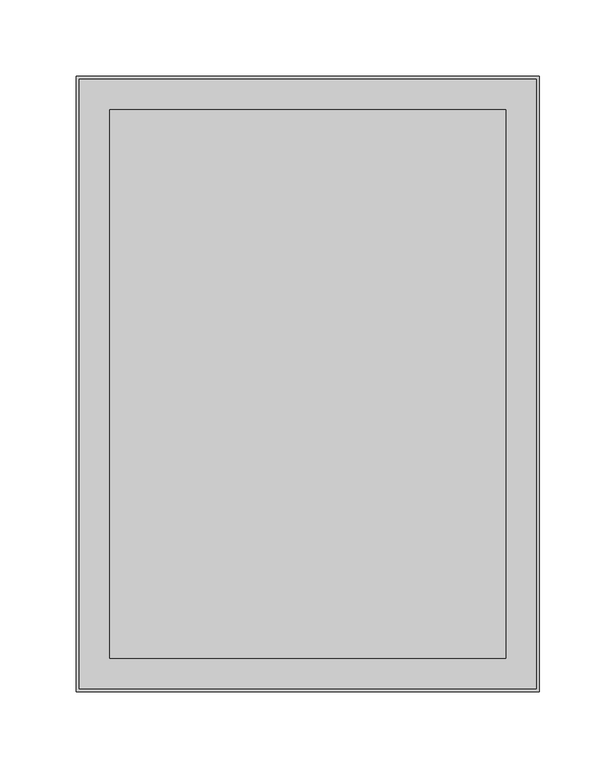
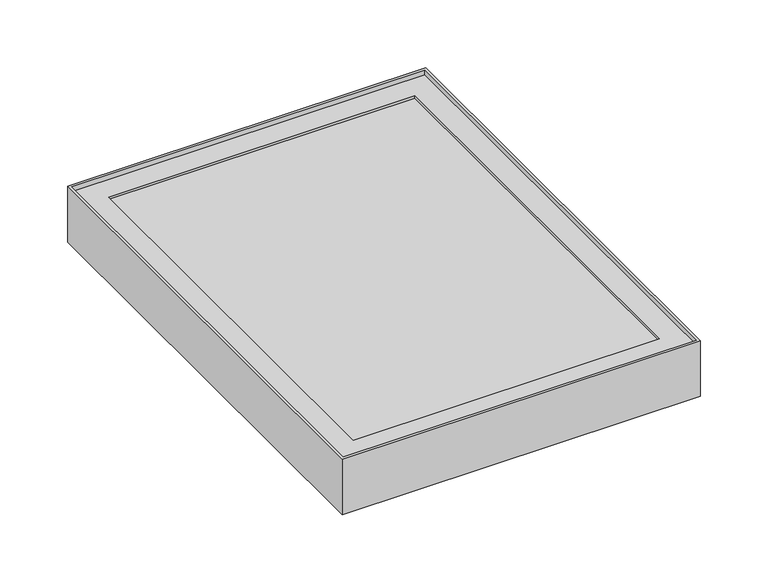
"""IFC4 building model written with IfcOpenShell, lengths in millimetres: proxy geometry."""

from ifc_helpers import new_model, si_unit, frame, origin, place, context, project, spatial, polyline, outline, extrude, faceted_brep, source, transform, mapped, element, save


def generic_models_1ffe8c8d(model_context):
    return source(origin(), model_context, "Body", "SolidModel", [
        extrude(outline(polyline([(-152.0, -202.0), (-152.0, 202.0), (152.0, 202.0), (152.0, -202.0), (-152.0, -202.0)]), holes=[polyline([(150.0, -200.0), (150.0, 200.0), (-150.0, 200.0), (-150.0, -200.0), (150.0, -200.0)])]), frame((0.0, 0.0, -51.0), z_axis=(0.0, 0.0, 1.0), x_axis=(1.0, 0.0, 0.0)), (0.0, 0.0, 1.0), 50.0),
        extrude(outline(polyline([(148.0, -198.0), (-148.0, -198.0), (-148.0, 198.0), (148.0, 198.0), (148.0, -198.0)])), frame((0.0, 0.0, -24.0), z_axis=(0.0, 0.0, 1.0), x_axis=(1.0, 0.0, 0.0)), (0.0, 0.0, 1.0), 16.0),
        faceted_brep([(150.0, -200.0, -27.0), (150.0, 200.0, -27.0), (150.0, 200.0, -5.0), (150.0, -200.0, -5.0), (130.0, -180.0, -25.0), (130.0, 180.0, -25.0), (130.0, 180.0, -27.0), (130.0, -180.0, -27.0), (148.0, -198.0, -7.0), (148.0, 198.0, -7.0), (148.0, 198.0, -25.0), (148.0, -198.0, -25.0), (130.0, -180.0, -5.0), (130.0, 180.0, -5.0), (130.0, 180.0, -7.0), (130.0, -180.0, -7.0), (-150.0, 200.0, -27.0), (-150.0, 200.0, -5.0), (-130.0, 180.0, -25.0), (-130.0, 180.0, -27.0), (-148.0, 198.0, -7.0), (-148.0, 198.0, -25.0), (-130.0, 180.0, -5.0), (-130.0, 180.0, -7.0), (-150.0, -200.0, -27.0), (-150.0, -200.0, -5.0), (-130.0, -180.0, -25.0), (-130.0, -180.0, -27.0), (-148.0, -198.0, -7.0), (-148.0, -198.0, -25.0), (-130.0, -180.0, -5.0), (-130.0, -180.0, -7.0)], [[[0, 1, 2, 3]], [[4, 5, 6, 7]], [[8, 9, 10, 11]], [[12, 13, 14, 15]], [[1, 16, 17, 2]], [[5, 18, 19, 6]], [[9, 20, 21, 10]], [[13, 22, 23, 14]], [[16, 24, 25, 17]], [[18, 26, 27, 19]], [[20, 28, 29, 21]], [[22, 30, 31, 23]], [[3, 2, 17, 25], [13, 12, 30, 22]], [[24, 0, 3, 25]], [[1, 0, 24, 16], [7, 6, 19, 27]], [[26, 4, 7, 27]], [[11, 10, 21, 29], [5, 4, 26, 18]], [[28, 8, 11, 29]], [[9, 8, 28, 20], [15, 14, 23, 31]], [[30, 12, 15, 31]]]),
    ])


if __name__ == "__main__":
    model = new_model("IFC4")
    model_context = context("Model", 3, world=origin())
    ifc_project = project(units=[si_unit("LENGTHUNIT", "METRE", prefix="MILLI")], contexts=[model_context])
    site = spatial("IfcSite", under=ifc_project)
    building = spatial("IfcBuilding", under=site)
    placement = place(None, origin())
    generic_models_shape = generic_models_1ffe8c8d(model_context)
    element("IfcBuildingElementProxy", 1, Name="Generic Models", at=placement, inside=building, context=model_context, shape_type="MappedRepresentation", body=[
        mapped(generic_models_shape, transform((0.0, 0.0, 0.0), x_axis=(1.0, 0.0, 0.0), y_axis=(0.0, 1.0, 0.0), z_axis=(0.0, 0.0, 1.0))),
    ])
    save(model, "model.ifc")
